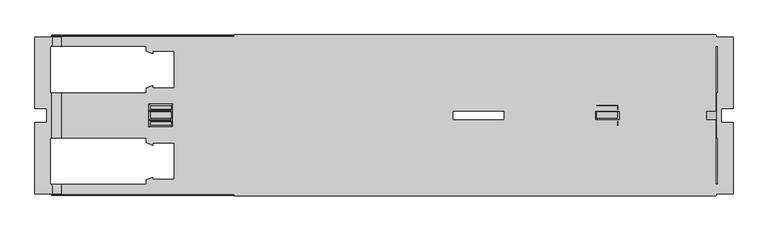
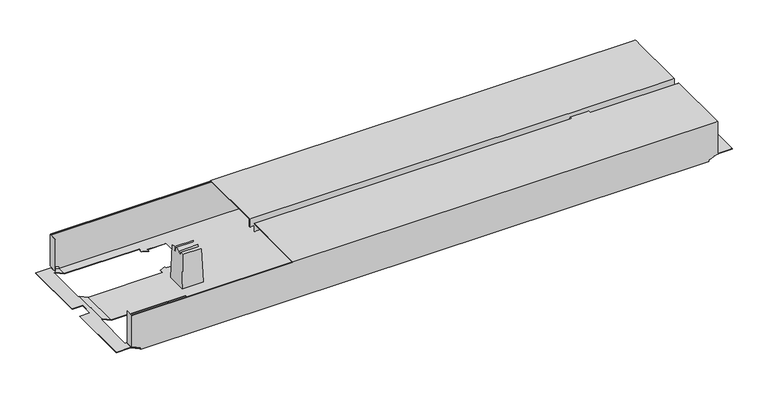
"""IFC4 building model written with IfcOpenShell, lengths in millimetres: furniture geometry."""

from ifc_helpers import new_model, si_unit, origin, place, context, project, spatial, triangles, source, transform, mapped, element, save


def furniture_d335df80(model_context):
    return source(origin(), model_context, "Body", "Tessellation", [
        triangles([(402.0151199, -262.1618406, 526.9999909), (402.0151199, -262.1618406, 507.9999879), (1430.0150899, -262.1618406, 526.9999909), (1430.0150899, -262.1618406, 507.9999879), (402.0151199, -423.2618455, 526.9999909), (1430.0150899, -423.2618455, 526.9999909), (402.0151199, -423.2618455, 507.9999879), (1430.0150899, -423.2618455, 507.9999879), (402.0151199, -424.261839, 507.9999879), (1430.0150899, -424.261839, 507.9999879), (402.0151199, -424.261839, 528.0000026), (1430.0150899, -424.261839, 528.0000026), (402.0151199, -261.161838, 528.0000026), (1430.0150899, -261.161838, 528.0000026), (402.0151199, -261.161838, 507.9999879), (1430.0150899, -261.161838, 507.9999879), (402.0151199, -444.0618295, 526.9999909), (402.0151199, -444.0618295, 507.9999879), (1430.0150899, -444.0618295, 526.9999909), (1430.0150899, -444.0618295, 507.9999879), (402.0151199, -605.1618435, 526.9999909), (1430.0150899, -605.1618435, 526.9999909), (402.0151199, -605.1618435, 507.9999879), (1430.0150899, -605.1618435, 507.9999879), (402.0151199, -606.1618552, 507.9999879), (1430.0150899, -606.1618552, 507.9999879), (402.0151199, -606.1618552, 528.0000026), (1430.0150899, -606.1618552, 528.0000026), (402.0151199, -443.0618542, 528.0000026), (1430.0150899, -443.0618542, 528.0000026), (402.0151199, -443.0618542, 507.9999879), (1430.0150899, -443.0618542, 507.9999879), (34.5151316, -605.1618435, 432.000012), (1409.5151785, -605.1618435, 432.000012), (34.5151316, -605.1618435, 435.9999859), (1409.5151785, -605.1618435, 435.9999859), (14.5151351, -605.1618435, 445.3260155), (1429.5151205, -605.1618435, 445.3260155), (14.5151351, -605.1618435, 526.0000156), (1429.5151205, -605.1618435, 526.0000156), (1431.5151437, -605.1618435, 445.3260155), (1431.5151437, -605.1618435, 526.0000156), (12.51513, -605.1618435, 526.0000156), (12.51513, -605.1618435, 445.3260155), (979.1151414, -394.4618411, 432.000012), (1169.4151537, -492.4618549, 432.000012), (979.1151414, -472.8618521, 432.000012), (1169.4151537, -570.8618296, 432.000012), (918.9151096, -483.661847, 432.000012), (274.6151201, -570.8618296, 432.000012), (868.9151092, -483.661847, 432.000012), (274.6151201, -492.4618549, 432.000012), (274.6151201, -374.8618383, 432.000012), (214.4151427, -385.6618332, 432.000012), (228.215118, -374.8618383, 432.000012), (214.4151427, -375.3778497, 432.000012), (228.215118, -369.6618468, 432.000012), (932.7151393, -394.4618411, 432.000012), (918.9151096, -383.6618462, 432.000012), (1169.4151537, -296.4618454, 432.000012), (1169.4151537, -374.8618383, 432.000012), (932.7151393, -399.6618507, 432.000012), (918.9151096, -394.0438433, 432.000012), (274.6151201, -296.4618454, 432.000012), (868.9151092, -383.6618462, 432.000012), (932.7151393, -472.8618521, 432.000012), (918.9151096, -473.2798499, 432.000012), (932.7151393, -467.6618425, 432.000012), (214.4151427, -581.6618245, 432.000012), (1229.6151128, -581.6618245, 432.000012), (1409.5151785, -601.6618392, 432.000012), (1410.5151174, -581.6618245, 432.000012), (1410.5151174, -601.6618392, 432.000012), (34.5151316, -601.6618392, 432.000012), (33.5151382, -581.6618245, 432.000012), (33.5151382, -601.6618392, 432.000012), (214.4151427, -571.3778592, 432.000012), (228.215118, -570.8618296, 432.000012), (1215.8150831, -570.8618296, 432.000012), (228.215118, -565.6618563, 432.000012), (214.4151427, -481.66186, 432.000012), (228.215118, -492.4618549, 432.000012), (214.4151427, -491.9458253, 432.000012), (228.215118, -497.6618282, 432.000012), (33.5151382, -481.66186, 432.000012), (33.5151382, -385.6618332, 432.000012), (228.215118, -296.4618454, 432.000012), (214.4151427, -285.6618415, 432.000012), (1229.6151128, -285.6618415, 432.000012), (1215.8150831, -296.4618454, 432.000012), (1229.6151128, -295.945834, 432.000012), (1215.8150831, -301.6618369, 432.000012), (228.215118, -301.6618369, 432.000012), (214.4151427, -295.945834, 432.000012), (33.5151382, -285.6618415, 432.000012), (34.5151316, -265.661845, 432.000012), (34.5151316, -262.1618406, 432.000012), (1409.5151785, -262.1618406, 432.000012), (33.5151382, -265.661845, 432.000012), (1409.5151785, -265.661845, 432.000012), (1410.5151174, -285.6618415, 432.000012), (1410.5151174, -265.661845, 432.000012), (1215.8150831, -374.8618383, 432.000012), (1229.6151128, -385.6618332, 432.000012), (1229.6151128, -481.66186, 432.000012), (1215.8150831, -492.4618549, 432.000012), (1229.6151128, -491.9458253, 432.000012), (1215.8150831, -497.6618282, 432.000012), (1215.8150831, -369.6618468, 432.000012), (1229.6151128, -375.3778497, 432.000012), (1410.5151174, -385.6618332, 432.000012), (1410.5151174, -481.66186, 432.000012), (1215.8150831, -565.6618563, 432.000012), (1229.6151128, -571.3778592, 432.000012), (979.1151414, -472.8618521, 432.9999873), (1169.4151537, -374.8618383, 432.9999873), (979.1151414, -394.4618411, 432.9999873), (1169.4151537, -296.4618454, 432.9999873), (918.9151096, -383.6618462, 432.9999873), (274.6151201, -296.4618454, 432.9999873), (868.9151092, -383.6618462, 432.9999873), (274.6151201, -374.8618383, 432.9999873), (274.6151201, -492.4618549, 432.9999873), (214.4151427, -481.66186, 432.9999873), (228.215118, -492.4618549, 432.9999873), (214.4151427, -491.9458253, 432.9999873), (228.215118, -497.6618282, 432.9999873), (932.7151393, -472.8618521, 432.9999873), (918.9151096, -483.661847, 432.9999873), (1169.4151537, -570.8618296, 432.9999873), (1169.4151537, -492.4618549, 432.9999873), (932.7151393, -467.6618425, 432.9999873), (918.9151096, -473.2798499, 432.9999873), (274.6151201, -570.8618296, 432.9999873), (868.9151092, -483.661847, 432.9999873), (932.7151393, -394.4618411, 432.9999873), (918.9151096, -394.0438433, 432.9999873), (932.7151393, -399.6618507, 432.9999873), (1410.2931833, -285.6618415, 432.9999873), (1409.5151785, -265.661845, 432.9999873), (1229.6151128, -285.6618415, 432.9999873), (1409.5151785, -263.1618431, 432.9999873), (214.4151427, -285.6618415, 432.9999873), (34.5151316, -263.1618431, 432.9999873), (34.5151316, -265.661845, 432.9999873), (1410.2931833, -265.661845, 432.9999873), (33.7371359, -265.661845, 432.9999873), (33.7371359, -285.6618415, 432.9999873), (214.4151427, -295.945834, 432.9999873), (228.215118, -296.4618454, 432.9999873), (1215.8150831, -296.4618454, 432.9999873), (228.215118, -301.6618369, 432.9999873), (214.4151427, -385.6618332, 432.9999873), (228.215118, -374.8618383, 432.9999873), (214.4151427, -375.3778497, 432.9999873), (228.215118, -369.6618468, 432.9999873), (33.7371359, -385.6618332, 432.9999873), (33.7371359, -481.66186, 432.9999873), (228.215118, -570.8618296, 432.9999873), (214.4151427, -581.6618245, 432.9999873), (1229.6151128, -581.6618245, 432.9999873), (1215.8150831, -570.8618296, 432.9999873), (1229.6151128, -571.3778592, 432.9999873), (1215.8150831, -565.6618563, 432.9999873), (228.215118, -565.6618563, 432.9999873), (214.4151427, -571.3778592, 432.9999873), (33.7371359, -581.6618245, 432.9999873), (34.5151316, -601.6618392, 432.9999873), (34.5151316, -604.1618319, 432.9999873), (1409.5151785, -604.1618319, 432.9999873), (33.7371359, -601.6618392, 432.9999873), (1409.5151785, -601.6618392, 432.9999873), (1410.2931833, -581.6618245, 432.9999873), (1410.2931833, -601.6618392, 432.9999873), (1215.8150831, -492.4618549, 432.9999873), (1229.6151128, -481.66186, 432.9999873), (1229.6151128, -385.6618332, 432.9999873), (1215.8150831, -374.8618383, 432.9999873), (1229.6151128, -375.3778497, 432.9999873), (1215.8150831, -369.6618468, 432.9999873), (1215.8150831, -497.6618282, 432.9999873), (1229.6151128, -491.9458253, 432.9999873), (1410.2931833, -481.66186, 432.9999873), (1410.2931833, -385.6618332, 432.9999873), (1215.8150831, -301.6618369, 432.9999873), (1229.6151128, -295.945834, 432.9999873), (34.5151316, -604.1618319, 435.9999859), (1409.5151785, -604.1618319, 435.9999859), (14.5151351, -604.1618319, 445.3260155), (1429.5151205, -604.1618319, 445.3260155), (1429.5151205, -604.1618319, 511.9999981), (1430.5152048, -604.1618319, 445.3260155), (1430.5152048, -604.1618319, 526.0000156), (1429.5151205, -604.1618319, 526.0000156), (14.5151351, -604.1618319, 511.9999981), (13.5151326, -604.1618319, 445.3260155), (13.5151326, -604.1618319, 526.0000156), (14.5151351, -604.1618319, 526.0000156), (14.5151351, -264.1618457, 526.0000156), (1429.5151205, -264.1618457, 526.0000156), (14.5151351, -263.8688403, 526.7069856), (1429.5151205, -263.8688403, 526.7069856), (14.5151351, -263.1618431, 526.9999909), (1429.5151205, -263.1618431, 526.9999909), (14.5151351, -262.4548459, 526.7069856), (1429.5151205, -262.4548459, 526.7069856), (14.5151351, -262.1618406, 526.0000156), (1429.5151205, -262.1618406, 526.0000156), (14.5151351, -264.1618457, 511.9999981), (1429.5151205, -264.1618457, 511.9999981), (14.5151351, -263.1618431, 511.9999981), (1429.5151205, -263.1618431, 511.9999981), (14.5151351, -603.1618566, 511.9999981), (1429.5151205, -603.1618566, 511.9999981), (14.5151351, -603.1618566, 526.0000156), (1429.5151205, -603.1618566, 526.0000156), (14.5151351, -604.8688382, 526.7069856), (1429.5151205, -604.8688382, 526.7069856), (14.5151351, -604.1618319, 526.9999909), (1429.5151205, -604.1618319, 526.9999909), (14.5151351, -603.4548256, 526.7069856), (1429.5151205, -603.4548256, 526.7069856), (14.5151351, -262.1618406, 445.3260155), (12.51513, -262.1618406, 445.3260155), (12.51513, -262.1618406, 526.0000156), (1429.5151205, -262.1618406, 445.3260155), (1431.5151437, -262.1618406, 526.0000156), (1431.5151437, -262.1618406, 445.3260155), (34.5151316, -262.1618406, 435.9999859), (1409.5151785, -262.1618406, 435.9999859), (1429.5151205, -263.1618431, 445.3260155), (14.5151351, -263.1618431, 445.3260155), (1409.5151785, -263.1618431, 435.9999859), (34.5151316, -263.1618431, 435.9999859), (1430.5152048, -263.1618431, 445.3260155), (1430.5152048, -263.1618431, 526.0000156), (1429.5151205, -263.1618431, 526.0000156), (13.5151326, -263.1618431, 445.3260155), (13.5151326, -263.1618431, 526.0000156), (14.5151351, -263.1618431, 526.0000156), (1431.9601747, -481.66186, 441.999983), (1431.9601747, -385.6618332, 441.999983), (1434.6150999, -481.66186, 441.999983), (1434.6150999, -385.6618332, 441.999983), (1442.515199, -418.6618356, 441.999983), (1434.6150999, -285.6618415, 441.999983), (1467.5151266, -265.661845, 441.999983), (1431.9601747, -265.661845, 441.999983), (1431.9601747, -285.6618415, 441.999983), (1467.5151266, -418.6618356, 441.999983), (1442.515199, -448.6618394, 441.999983), (1434.6150999, -581.6618245, 441.999983), (1467.5151266, -601.6618392, 441.999983), (1431.9601747, -601.6618392, 441.999983), (1467.5151266, -448.6618394, 441.999983), (1431.9601747, -581.6618245, 441.999983), (1434.6150999, -481.66186, 442.9999947), (1434.6150999, -581.6618245, 442.9999947), (1431.7380952, -385.6618332, 442.9999947), (1431.7380952, -481.66186, 442.9999947), (1434.6150999, -285.6618415, 442.9999947), (1434.6150999, -385.6618332, 442.9999947), (1442.515199, -418.6618356, 442.9999947), (1467.5151266, -265.661845, 442.9999947), (1431.7380952, -265.661845, 442.9999947), (1442.515199, -448.6618394, 442.9999947), (1467.5151266, -601.6618392, 442.9999947), (1431.7380952, -601.6618392, 442.9999947), (1431.7380952, -581.6618245, 442.9999947), (1467.5151266, -448.6618394, 442.9999947), (1467.5151266, -418.6618356, 442.9999947), (1431.7380952, -285.6618415, 442.9999947), (1430.5152048, -282.1618462, 526.0000156), (1430.5152048, -282.1618462, 445.3260155), (1431.5151437, -282.1618462, 445.3260155), (1431.5151437, -282.1618462, 526.0000156), (1430.5152048, -585.1618289, 445.3260155), (1430.5152048, -585.1618289, 526.0000156), (1431.5151437, -585.1618289, 445.3260155), (1431.5151437, -585.1618289, 526.0000156), (12.51513, -585.1618289, 526.0000156), (12.51513, -585.1618289, 445.3260155), (13.5151326, -585.1618289, 526.0000156), (13.5151326, -585.1618289, 445.3260155), (12.51513, -282.1618462, 445.3260155), (12.51513, -282.1618462, 526.0000156), (13.5151326, -282.1618462, 445.3260155), (13.5151326, -282.1618462, 526.0000156), (12.2921331, -385.6618332, 442.9999947), (12.2921331, -481.66186, 442.9999947), (12.0701354, -481.66186, 441.999983), (12.0701354, -385.6618332, 441.999983), (9.4151375, -581.6618245, 441.999983), (1.5151383, -448.6618394, 441.999983), (9.4151375, -481.66186, 441.999983), (1.5151383, -418.6618356, 441.999983), (9.4151375, -385.6618332, 441.999983), (9.4151375, -285.6618415, 441.999983), (-23.4848665, -265.661845, 441.999983), (12.0701354, -265.661845, 441.999983), (12.0701354, -581.6618245, 441.999983), (12.0701354, -601.6618392, 441.999983), (-23.4848665, -601.6618392, 441.999983), (-23.4848665, -448.6618394, 441.999983), (-23.4848665, -418.6618356, 441.999983), (12.0701354, -285.6618415, 441.999983), (-23.4848665, -448.6618394, 442.9999947), (-23.4848665, -601.6618392, 442.9999947), (1.5151383, -448.6618394, 442.9999947), (9.4151375, -581.6618245, 442.9999947), (9.4151375, -481.66186, 442.9999947), (12.2921331, -601.6618392, 442.9999947), (12.2921331, -581.6618245, 442.9999947), (9.4151375, -385.6618332, 442.9999947), (1.5151383, -418.6618356, 442.9999947), (9.4151375, -285.6618415, 442.9999947), (-23.4848665, -265.661845, 442.9999947), (12.2921331, -265.661845, 442.9999947), (12.2921331, -285.6618415, 442.9999947), (-23.4848665, -418.6618356, 442.9999947), (1221.547146, -440.5628425, 519.5000127), (1221.8961073, -442.5618484, 509.5000053), (1221.547146, -426.7608507, 519.5000127), (1221.8961073, -424.7618448, 509.5000053), (1224.5151334, -458.161841, 433.4999931), (1224.5151334, -409.1618341, 433.4999931), (1221.8961073, -444.5618353, 509.5000053), (1221.5821729, -455.2288441, 518.500001), (1221.5821729, -446.3608534, 518.500001), (1221.8961073, -422.7618397, 509.5000053), (1221.5821729, -412.0948491, 518.500001), (1221.5821729, -420.9628398, 518.500001), (1176.4831815, -440.5628425, 519.5000127), (1176.4831815, -426.7608507, 519.5000127), (1176.1340749, -442.5618484, 509.5000053), (1176.1340749, -424.7618448, 509.5000053), (1173.5151941, -458.161841, 433.4999931), (1173.5151941, -409.1618341, 433.4999931), (1176.1340749, -422.7618397, 509.5000053), (1176.4481546, -412.0948491, 518.500001), (1176.4481546, -420.9628398, 518.500001), (1176.1340749, -444.5618353, 509.5000053), (1176.4481546, -455.2288441, 518.500001), (1176.4481546, -446.3608534, 518.500001), (267.5471285, -440.5628425, 519.5000127), (267.8961261, -442.5618484, 509.5000053), (267.5471285, -426.7608507, 519.5000127), (267.8961261, -424.7618448, 509.5000053), (270.515116, -458.161841, 433.4999931), (270.515116, -409.1618341, 433.4999931), (267.8961261, -444.5618353, 509.5000053), (267.5821191, -455.2288441, 518.500001), (267.5821191, -446.3608534, 518.500001), (267.8961261, -422.7618397, 509.5000053), (267.5821191, -412.0948491, 518.500001), (267.5821191, -420.9628398, 518.500001), (222.4831277, -440.5628425, 519.5000127), (222.4831277, -426.7608507, 519.5000127), (222.1341302, -442.5618484, 509.5000053), (222.1341302, -424.7618448, 509.5000053), (219.5151403, -458.161841, 433.4999931), (219.5151403, -409.1618341, 433.4999931), (222.1341302, -422.7618397, 509.5000053), (222.4481371, -412.0948491, 518.500001), (222.4481371, -420.9628398, 518.500001), (222.1341302, -444.5618353, 509.5000053), (222.4481371, -455.2288441, 518.500001), (222.4481371, -446.3608534, 518.500001)], [[1, 2, 3], [3, 2, 4], [5, 1, 6], [6, 1, 3], [7, 5, 8], [8, 5, 6], [9, 7, 10], [10, 7, 8], [11, 9, 12], [12, 9, 10], [13, 11, 14], [14, 11, 12], [15, 13, 16], [16, 13, 14], [2, 15, 4], [4, 15, 16], [2, 1, 15], [15, 1, 13], [13, 1, 5], [13, 5, 11], [11, 5, 9], [9, 5, 7], [4, 16, 3], [14, 3, 16], [6, 3, 14], [12, 6, 14], [10, 6, 12], [10, 8, 6], [17, 18, 19], [19, 18, 20], [21, 17, 22], [22, 17, 19], [23, 21, 24], [24, 21, 22], [25, 23, 26], [26, 23, 24], [27, 25, 28], [28, 25, 26], [29, 27, 30], [30, 27, 28], [31, 29, 32], [32, 29, 30], [18, 31, 20], [20, 31, 32], [18, 17, 31], [31, 17, 29], [29, 17, 21], [29, 21, 27], [27, 21, 25], [25, 21, 23], [20, 32, 19], [30, 19, 32], [22, 19, 30], [28, 22, 30], [26, 22, 28], [26, 24, 22], [33, 34, 35], [35, 34, 36], [37, 35, 36], [37, 36, 38], [37, 38, 39], [39, 38, 40], [40, 38, 41], [40, 41, 42], [39, 43, 37], [37, 43, 44], [45, 46, 47], [47, 46, 48], [49, 47, 48], [50, 49, 48], [49, 50, 51], [51, 50, 52], [51, 52, 53], [53, 52, 54], [53, 54, 55], [55, 54, 56], [57, 55, 56], [45, 58, 59], [60, 45, 59], [45, 60, 61], [62, 63, 58], [58, 63, 59], [60, 59, 64], [64, 59, 65], [64, 65, 53], [53, 65, 51], [47, 49, 66], [66, 49, 67], [68, 66, 67], [33, 69, 34], [34, 69, 70], [34, 70, 71], [71, 70, 72], [71, 72, 73], [33, 74, 69], [69, 74, 75], [75, 74, 76], [69, 77, 78], [69, 78, 50], [69, 50, 70], [70, 50, 48], [70, 48, 79], [77, 80, 78], [54, 52, 81], [81, 52, 82], [81, 82, 83], [83, 82, 84], [85, 86, 81], [81, 86, 54], [64, 87, 88], [89, 64, 88], [64, 89, 60], [60, 89, 90], [90, 89, 91], [92, 90, 91], [93, 94, 87], [87, 94, 88], [95, 96, 88], [88, 96, 97], [98, 88, 97], [95, 99, 96], [88, 98, 89], [89, 98, 100], [89, 100, 101], [101, 100, 102], [61, 103, 104], [61, 104, 105], [61, 105, 46], [46, 105, 106], [106, 105, 107], [108, 106, 107], [109, 110, 103], [103, 110, 104], [111, 112, 104], [104, 112, 105], [113, 114, 79], [79, 114, 70], [45, 61, 46], [115, 116, 117], [117, 116, 118], [119, 117, 118], [120, 119, 118], [119, 120, 121], [121, 120, 122], [121, 122, 123], [123, 122, 124], [123, 124, 125], [125, 124, 126], [127, 125, 126], [115, 128, 129], [130, 115, 129], [115, 130, 131], [132, 133, 128], [128, 133, 129], [130, 129, 134], [134, 129, 135], [134, 135, 123], [123, 135, 121], [117, 119, 136], [136, 119, 137], [138, 136, 137], [139, 140, 141], [141, 140, 142], [143, 141, 142], [144, 143, 142], [143, 144, 145], [139, 146, 140], [147, 148, 145], [145, 148, 143], [143, 149, 150], [143, 150, 120], [143, 120, 141], [141, 120, 118], [141, 118, 151], [149, 152, 150], [124, 122, 153], [153, 122, 154], [153, 154, 155], [155, 154, 156], [157, 158, 153], [153, 158, 124], [134, 159, 160], [161, 134, 160], [134, 161, 130], [130, 161, 162], [162, 161, 163], [164, 162, 163], [165, 166, 159], [159, 166, 160], [167, 168, 160], [160, 168, 169], [170, 160, 169], [167, 171, 168], [160, 170, 161], [161, 170, 172], [161, 172, 173], [173, 172, 174], [131, 175, 176], [131, 176, 177], [131, 177, 116], [116, 177, 178], [178, 177, 179], [180, 178, 179], [181, 182, 175], [175, 182, 176], [183, 184, 176], [176, 184, 177], [185, 186, 151], [151, 186, 141], [115, 131, 116], [169, 187, 170], [170, 187, 188], [188, 187, 189], [190, 188, 189], [190, 189, 191], [190, 191, 192], [192, 191, 193], [193, 191, 194], [191, 189, 195], [195, 189, 196], [197, 195, 196], [197, 198, 195], [199, 200, 201], [201, 200, 202], [201, 202, 203], [203, 202, 204], [203, 204, 205], [205, 204, 206], [205, 206, 207], [207, 206, 208], [209, 210, 199], [199, 210, 200], [211, 212, 209], [209, 212, 210], [213, 214, 195], [195, 214, 191], [215, 216, 213], [213, 216, 214], [39, 40, 217], [217, 40, 218], [217, 218, 219], [219, 218, 220], [219, 220, 221], [221, 220, 222], [221, 222, 215], [215, 222, 216], [208, 223, 207], [207, 223, 224], [207, 224, 225], [223, 208, 226], [226, 208, 227], [226, 227, 228], [223, 226, 229], [229, 226, 230], [229, 230, 97], [97, 230, 98], [231, 232, 233], [233, 232, 234], [233, 234, 144], [232, 231, 212], [212, 231, 235], [236, 212, 235], [236, 237, 212], [212, 211, 232], [232, 211, 238], [238, 211, 239], [239, 211, 240], [144, 142, 233], [45, 47, 117], [117, 47, 115], [47, 66, 115], [115, 66, 128], [133, 132, 67], [67, 132, 68], [67, 49, 133], [133, 49, 129], [49, 51, 129], [129, 51, 135], [58, 45, 136], [136, 45, 117], [137, 119, 63], [63, 119, 59], [63, 62, 137], [137, 62, 138], [65, 59, 121], [121, 59, 119], [62, 58, 138], [138, 58, 136], [51, 65, 135], [135, 65, 121], [132, 128, 68], [68, 128, 66], [46, 106, 131], [131, 106, 175], [106, 108, 175], [175, 108, 181], [48, 46, 130], [130, 46, 131], [108, 107, 181], [181, 107, 182], [107, 105, 182], [182, 105, 176], [70, 114, 161], [161, 114, 163], [114, 113, 163], [163, 113, 164], [113, 79, 164], [164, 79, 162], [79, 48, 162], [162, 48, 130], [109, 103, 180], [180, 103, 178], [103, 61, 178], [178, 61, 116], [104, 110, 177], [177, 110, 179], [110, 109, 179], [179, 109, 180], [61, 60, 116], [116, 60, 118], [60, 90, 118], [118, 90, 151], [91, 89, 186], [186, 89, 141], [186, 185, 91], [91, 185, 92], [185, 151, 92], [92, 151, 90], [241, 242, 243], [243, 242, 244], [243, 244, 245], [245, 244, 246], [245, 246, 247], [247, 246, 248], [248, 246, 249], [247, 250, 245], [245, 251, 243], [252, 243, 251], [253, 252, 251], [252, 253, 254], [251, 255, 253], [254, 256, 252], [243, 252, 257], [257, 252, 258], [111, 242, 112], [112, 242, 241], [259, 184, 260], [260, 184, 183], [246, 244, 261], [261, 244, 262], [260, 257, 259], [259, 257, 262], [262, 257, 263], [261, 262, 263], [264, 261, 263], [261, 264, 265], [263, 257, 266], [266, 257, 258], [266, 258, 267], [267, 258, 268], [268, 258, 269], [267, 270, 266], [263, 271, 264], [265, 272, 261], [273, 236, 274], [274, 236, 235], [275, 228, 276], [276, 228, 227], [102, 248, 101], [101, 248, 249], [265, 146, 272], [272, 146, 139], [264, 271, 247], [247, 271, 250], [271, 263, 250], [250, 263, 245], [270, 267, 255], [255, 267, 253], [255, 251, 270], [270, 251, 266], [263, 266, 245], [245, 266, 251], [72, 256, 73], [73, 256, 254], [174, 268, 173], [173, 268, 269], [277, 192, 278], [278, 192, 193], [277, 278, 279], [279, 278, 280], [41, 279, 42], [42, 279, 280], [277, 279, 192], [41, 192, 279], [192, 41, 38], [38, 190, 192], [275, 276, 274], [274, 276, 273], [81, 83, 124], [124, 83, 126], [83, 84, 126], [126, 84, 127], [82, 52, 125], [125, 52, 123], [52, 50, 123], [123, 50, 134], [50, 78, 134], [134, 78, 159], [166, 165, 77], [77, 165, 80], [77, 69, 166], [166, 69, 160], [78, 80, 159], [159, 80, 165], [84, 82, 127], [127, 82, 125], [53, 55, 122], [122, 55, 154], [55, 57, 154], [154, 57, 156], [57, 56, 156], [156, 56, 155], [152, 149, 93], [93, 149, 94], [93, 87, 152], [152, 87, 150], [87, 64, 150], [150, 64, 120], [88, 94, 143], [143, 94, 149], [56, 54, 155], [155, 54, 153], [64, 53, 120], [120, 53, 122], [43, 281, 44], [44, 281, 282], [283, 197, 284], [284, 197, 196], [224, 285, 225], [225, 285, 286], [287, 285, 238], [224, 238, 285], [238, 224, 223], [223, 232, 238], [239, 288, 238], [238, 288, 287], [157, 289, 158], [158, 289, 290], [85, 291, 86], [86, 291, 292], [293, 294, 295], [295, 294, 296], [295, 296, 297], [298, 297, 296], [299, 298, 296], [298, 299, 300], [301, 302, 293], [293, 302, 303], [294, 293, 303], [294, 303, 304], [296, 305, 299], [300, 306, 298], [297, 292, 295], [295, 292, 291], [307, 308, 309], [309, 308, 310], [309, 310, 311], [308, 312, 310], [310, 312, 313], [290, 289, 311], [311, 289, 314], [311, 314, 315], [315, 314, 316], [315, 316, 317], [317, 316, 318], [318, 316, 319], [317, 320, 315], [315, 309, 311], [297, 298, 314], [314, 298, 316], [293, 295, 310], [310, 295, 311], [283, 284, 281], [281, 284, 282], [312, 171, 313], [313, 171, 167], [143, 148, 88], [88, 148, 95], [95, 148, 306], [319, 306, 148], [306, 319, 316], [316, 298, 306], [145, 96, 147], [147, 96, 99], [300, 147, 99], [299, 317, 300], [318, 300, 317], [147, 300, 318], [140, 100, 142], [98, 142, 100], [230, 142, 98], [230, 233, 142], [248, 102, 146], [146, 102, 100], [146, 100, 140], [146, 265, 248], [264, 248, 265], [248, 264, 247], [177, 184, 104], [104, 184, 111], [111, 184, 242], [259, 242, 184], [242, 259, 262], [262, 244, 242], [257, 260, 241], [183, 241, 260], [241, 183, 112], [112, 183, 105], [105, 183, 176], [241, 243, 257], [161, 173, 70], [70, 173, 72], [72, 173, 256], [269, 256, 173], [256, 269, 258], [258, 252, 256], [267, 268, 254], [174, 254, 268], [254, 174, 73], [73, 174, 71], [71, 174, 172], [254, 253, 267], [168, 74, 169], [33, 169, 74], [35, 169, 33], [35, 187, 169], [95, 306, 99], [99, 306, 300], [76, 302, 75], [75, 302, 301], [147, 318, 148], [148, 318, 319], [297, 314, 292], [292, 314, 289], [157, 292, 289], [153, 54, 157], [86, 157, 54], [292, 157, 86], [293, 310, 301], [301, 310, 313], [167, 301, 313], [160, 69, 167], [75, 167, 69], [301, 167, 75], [312, 302, 171], [76, 171, 302], [171, 76, 74], [312, 308, 302], [302, 308, 303], [74, 168, 171], [304, 303, 307], [307, 303, 308], [307, 309, 304], [304, 309, 294], [309, 315, 294], [294, 315, 296], [315, 320, 296], [296, 320, 305], [320, 317, 305], [305, 317, 299], [124, 158, 81], [81, 158, 85], [85, 158, 291], [290, 291, 158], [291, 290, 311], [311, 295, 291], [35, 37, 187], [187, 37, 189], [189, 37, 196], [196, 37, 44], [282, 196, 44], [282, 284, 196], [283, 281, 197], [43, 197, 281], [197, 43, 39], [39, 198, 197], [39, 217, 198], [198, 217, 219], [198, 219, 221], [221, 215, 198], [195, 198, 213], [213, 198, 215], [214, 216, 191], [191, 216, 194], [216, 222, 194], [194, 222, 220], [194, 220, 218], [218, 40, 194], [194, 40, 193], [42, 193, 40], [280, 193, 42], [280, 278, 193], [38, 36, 190], [190, 36, 188], [188, 36, 170], [34, 170, 36], [71, 170, 34], [71, 172, 170], [246, 261, 249], [249, 261, 272], [139, 249, 272], [141, 89, 139], [101, 139, 89], [249, 139, 101], [230, 226, 233], [233, 226, 231], [231, 226, 235], [228, 235, 226], [275, 235, 228], [275, 274, 235], [273, 276, 236], [227, 236, 276], [208, 236, 227], [208, 237, 236], [208, 206, 237], [237, 206, 204], [237, 204, 202], [202, 200, 237], [212, 237, 210], [210, 237, 200], [209, 199, 211], [211, 199, 240], [199, 201, 240], [240, 201, 203], [240, 203, 205], [205, 207, 240], [240, 207, 239], [225, 239, 207], [286, 239, 225], [286, 288, 239], [286, 285, 288], [288, 285, 287], [223, 229, 232], [232, 229, 234], [234, 229, 144], [97, 144, 229], [96, 144, 97], [96, 145, 144], [323, 321, 322], [323, 322, 324], [324, 322, 325], [324, 325, 326], [322, 327, 325], [325, 327, 328], [328, 327, 329], [324, 326, 330], [331, 330, 326], [330, 331, 332], [335, 333, 334], [335, 334, 336], [337, 335, 336], [337, 336, 338], [338, 336, 339], [338, 339, 340], [340, 339, 341], [335, 337, 342], [343, 342, 337], [342, 343, 344], [321, 323, 333], [333, 323, 334], [322, 321, 333], [322, 333, 335], [334, 323, 324], [334, 324, 336], [324, 330, 336], [336, 330, 339], [330, 332, 341], [330, 341, 339], [332, 331, 341], [341, 331, 340], [340, 331, 326], [340, 326, 338], [327, 322, 342], [342, 322, 335], [344, 329, 327], [344, 327, 342], [328, 329, 343], [343, 329, 344], [325, 328, 343], [325, 343, 337], [326, 325, 338], [338, 325, 337], [347, 345, 346], [347, 346, 348], [348, 346, 349], [348, 349, 350], [346, 351, 349], [349, 351, 352], [352, 351, 353], [348, 350, 354], [355, 354, 350], [354, 355, 356], [359, 357, 358], [359, 358, 360], [361, 359, 360], [361, 360, 362], [362, 360, 363], [362, 363, 364], [364, 363, 365], [359, 361, 366], [367, 366, 361], [366, 367, 368], [345, 347, 357], [357, 347, 358], [346, 345, 357], [346, 357, 359], [358, 347, 348], [358, 348, 360], [348, 354, 360], [360, 354, 363], [354, 356, 365], [354, 365, 363], [356, 355, 365], [365, 355, 364], [364, 355, 350], [364, 350, 362], [351, 346, 366], [366, 346, 359], [368, 353, 351], [368, 351, 366], [352, 353, 367], [367, 353, 368], [349, 352, 367], [349, 367, 361], [350, 349, 362], [362, 349, 361]]),
    ])


if __name__ == "__main__":
    model = new_model("IFC4")
    model_context = context("Model", 3, world=origin())
    ifc_project = project(units=[si_unit("LENGTHUNIT", "METRE", prefix="MILLI")], contexts=[model_context])
    site = spatial("IfcSite", under=ifc_project)
    building = spatial("IfcBuilding", under=site)
    placement = place(None, origin())
    furniture_shape = furniture_d335df80(model_context)
    element("IfcFurniture", 1, at=placement, inside=building, context=model_context, shape_type="MappedRepresentation", body=[
        mapped(furniture_shape, transform((0.0, 0.0, 0.0), x_axis=(1.0, 0.0, 0.0), y_axis=(0.0, 1.0, 0.0), z_axis=(0.0, 0.0, 1.0))),
    ])
    save(model, "model.ifc")
